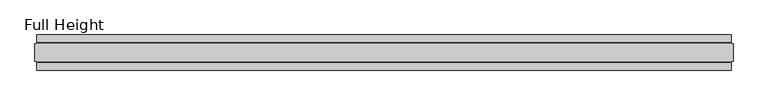
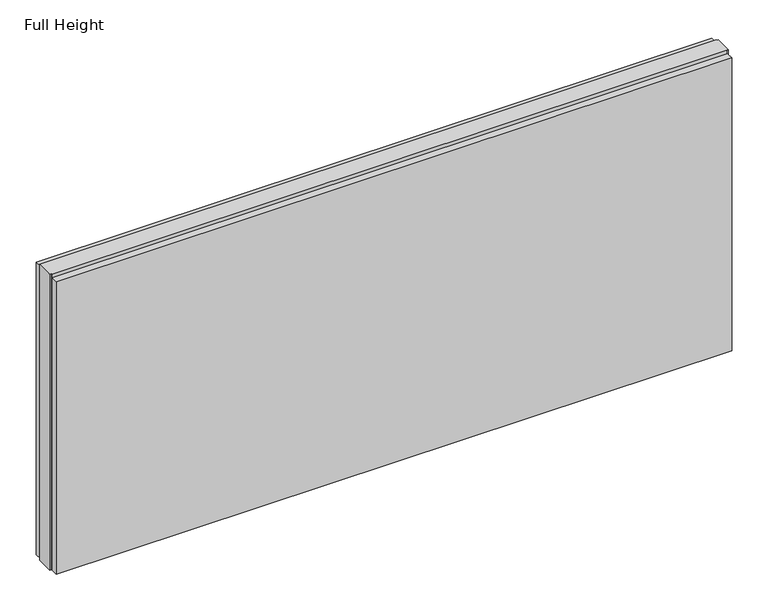
"""IFC4 building model written with IfcOpenShell, lengths in millimetres: plate geometry, Full Height."""

from ifc_helpers import new_model, si_unit, origin, origin_with_axes, place, context, project, spatial, polyline, outline, extrude, source, transform, mapped, element, save


def full_height_6231145b(model_context):
    return source(origin(), model_context, "Body", "SweptSolid", [
        extrude(outline(polyline([(980.8027254, 28.956), (-980.8027254, 28.956), (-980.8027254, 49.53), (980.8027254, 49.53), (980.8027254, 28.956)])), origin_with_axes(), (0.0, 0.0, 1.0), 899.2481916),
        extrude(outline(polyline([(980.8027254, -28.956), (980.8027254, -49.53), (-980.8027254, -49.53), (-980.8027254, -28.956), (980.8027254, -28.956)])), origin_with_axes(), (0.0, 0.0, 1.0), 899.2481916),
        extrude(outline(polyline([(980.8027254, -25.146), (980.8027254, -26.67), (-980.8027254, -26.67), (-980.8027254, -25.146), (-985.3747254, -25.146), (-985.3747254, 25.146), (-980.8027254, 25.146), (-980.8027254, 26.67), (980.8027254, 26.67), (980.8027254, 25.146), (985.3747254, 25.146), (985.3747254, -25.146), (980.8027254, -25.146)])), origin_with_axes(), (0.0, 0.0, 1.0), 908.3921916),
    ])


if __name__ == "__main__":
    model = new_model("IFC4")
    model_context = context("Model", 3, world=origin())
    ifc_project = project(units=[si_unit("LENGTHUNIT", "METRE", prefix="MILLI")], contexts=[model_context])
    site = spatial("IfcSite", under=ifc_project)
    building = spatial("IfcBuilding", under=site)
    placement = place(None, origin())
    full_height_shape = full_height_6231145b(model_context)
    element("IfcPlate", 1, ObjectType="Full Height", at=placement, inside=building, context=model_context, shape_type="MappedRepresentation", body=[
        mapped(full_height_shape, transform((0.0, 0.0, 0.0), x_axis=(1.0, 0.0, 0.0), y_axis=(0.0, 1.0, 0.0), z_axis=(0.0, 0.0, 1.0))),
    ])
    save(model, "model.ifc")
